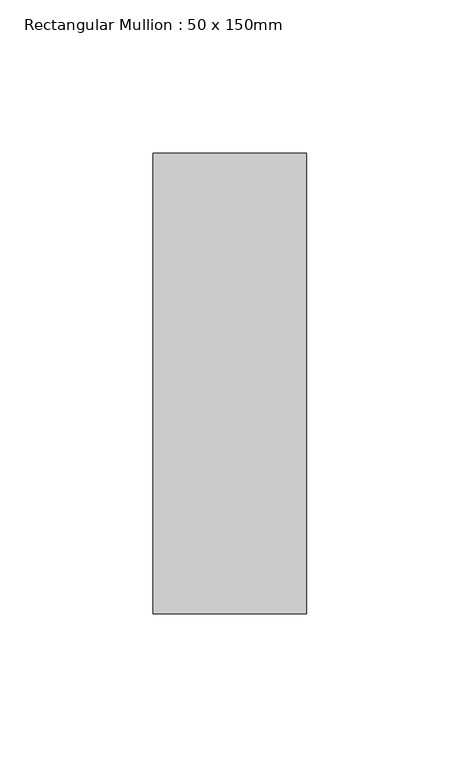
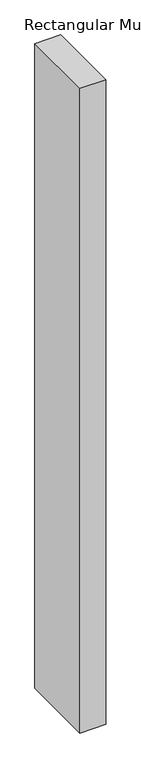
"""IFC4 building model written with IfcOpenShell, lengths in millimetres: member geometry, Rectangular Mullion : 50 x 150mm."""

from ifc_helpers import new_model, si_unit, frame, origin, place, context, project, spatial, polyline, outline, extrude, source, transform, mapped, element, save


def rectangular_mullion_50_x_150mm_14874aec(model_context):
    return source(origin(), model_context, "Body", "SweptSolid", [
        extrude(outline(polyline([(0.0, 75.0), (0.0, -75.0), (-50.0, -75.0), (-50.0, 75.0), (0.0, 75.0)])), frame((0.0, 0.0, -1312.5), z_axis=(0.0, 0.0, 1.0), x_axis=(1.0, 0.0, 0.0)), (0.0, 0.0, 1.0), 1312.5),
    ])


if __name__ == "__main__":
    model = new_model("IFC4")
    model_context = context("Model", 3, world=origin())
    ifc_project = project(units=[si_unit("LENGTHUNIT", "METRE", prefix="MILLI")], contexts=[model_context])
    site = spatial("IfcSite", under=ifc_project)
    building = spatial("IfcBuilding", under=site)
    placement = place(None, origin())
    rectangular_mullion_50_x_150mm_shape = rectangular_mullion_50_x_150mm_14874aec(model_context)
    element("IfcMember", 1, ObjectType="Rectangular Mullion : 50 x 150mm", at=placement, inside=building, context=model_context, shape_type="MappedRepresentation", body=[
        mapped(rectangular_mullion_50_x_150mm_shape, transform((0.0, 0.0, 0.0), x_axis=(1.0, 0.0, 0.0), y_axis=(0.0, 1.0, 0.0), z_axis=(0.0, 0.0, 1.0))),
    ])
    save(model, "model.ifc")
